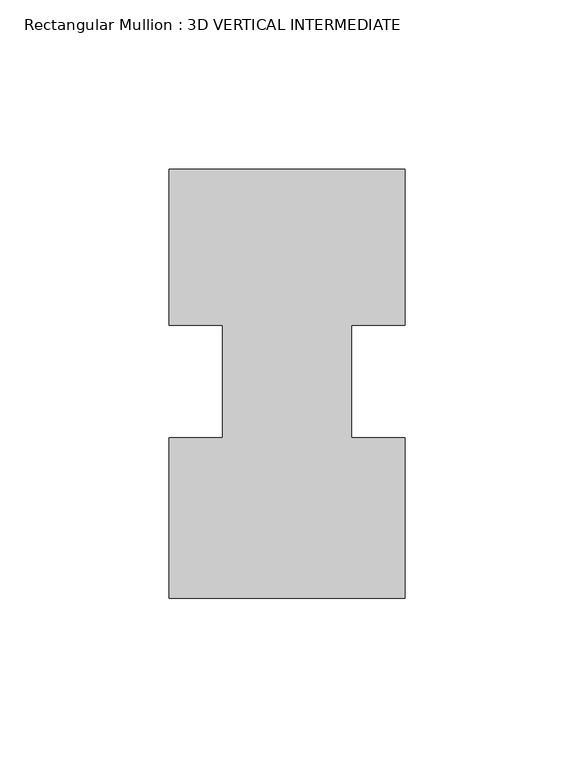
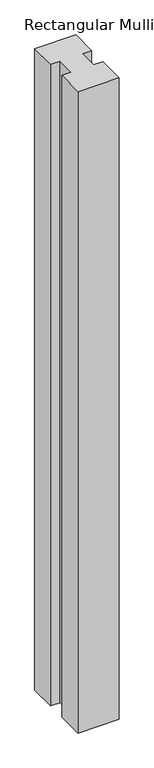
"""IFC4 building model written with IfcOpenShell, lengths in millimetres: member geometry, Rectangular Mullion : 3D VERTICAL INTERMEDIATE."""

from ifc_helpers import new_model, si_unit, frame, origin, place, context, project, spatial, polyline, outline, extrude, source, transform, mapped, element, save


def rectangular_mullion_3d_vertical_intermediate_59946663(model_context):
    return source(origin(), model_context, "Body", "SweptSolid", [
        extrude(outline(polyline([(35.0173164, 62.8615883), (35.0173164, 16.6786782), (19.1423164, 16.6786782), (19.1423164, -16.6786782), (35.0173157, -16.6786782), (35.0173157, -64.1384117), (-34.925, -64.1384117), (-34.925, -16.6786782), (-19.05, -16.6786782), (-19.05, 16.6786782), (-34.925, 16.6786782), (-34.925, 62.8615883), (35.0173164, 62.8615883)])), frame((0.0, 0.0, -1149.35), z_axis=(0.0, 0.0, 1.0), x_axis=(1.0, 0.0, 0.0)), (0.0, 0.0, 1.0), 1149.35),
    ])


if __name__ == "__main__":
    model = new_model("IFC4")
    model_context = context("Model", 3, world=origin())
    ifc_project = project(units=[si_unit("LENGTHUNIT", "METRE", prefix="MILLI")], contexts=[model_context])
    site = spatial("IfcSite", under=ifc_project)
    building = spatial("IfcBuilding", under=site)
    placement = place(None, origin())
    rectangular_mullion_3d_vertical_intermediate_shape = rectangular_mullion_3d_vertical_intermediate_59946663(model_context)
    element("IfcMember", 1, ObjectType="Rectangular Mullion : 3D VERTICAL INTERMEDIATE", at=placement, inside=building, context=model_context, shape_type="MappedRepresentation", body=[
        mapped(rectangular_mullion_3d_vertical_intermediate_shape, transform((0.0, 0.0, 0.0), x_axis=(1.0, 0.0, 0.0), y_axis=(0.0, 1.0, 0.0), z_axis=(0.0, 0.0, 1.0))),
    ])
    save(model, "model.ifc")
